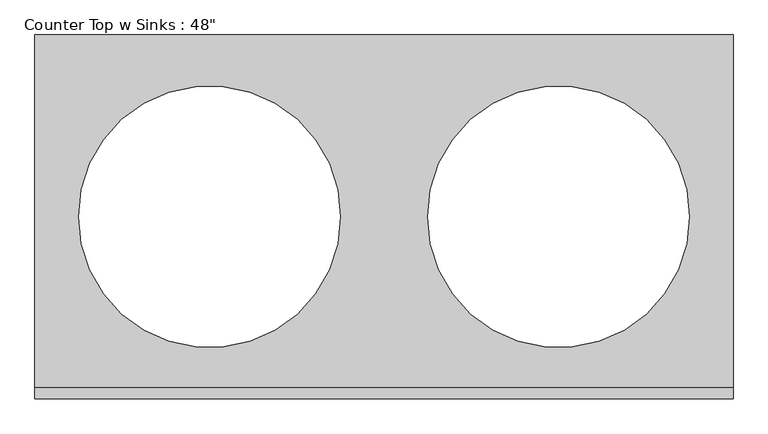
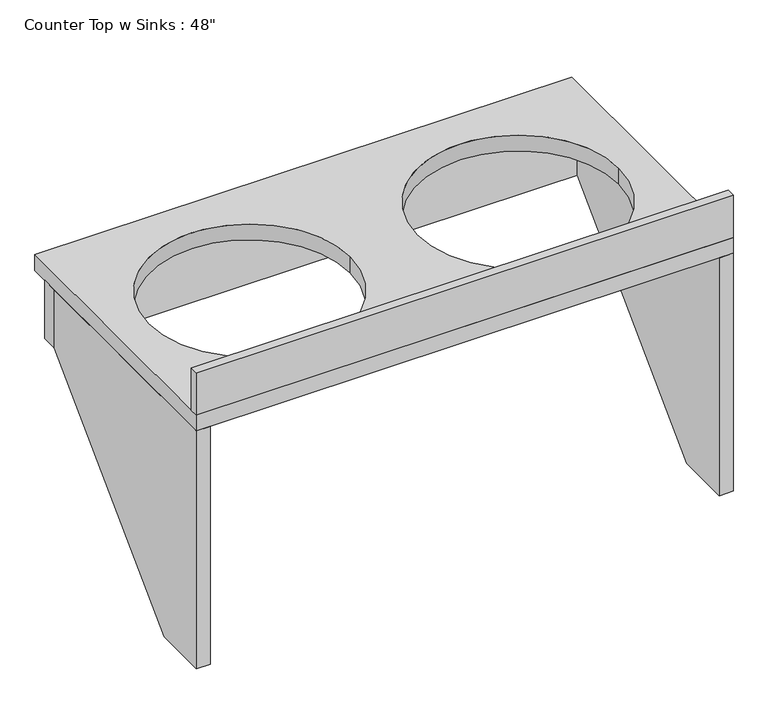
"""IFC4 building model written with IfcOpenShell, lengths in millimetres: furniture geometry."""

from ifc_helpers import new_model, si_unit, point, frame, frame_2d, origin, place, context, project, spatial, polyline, circle_curve, trimmed, segment, composite_curve, outline, extrude, source, transform, mapped, element, save


def furniture_7b47823e(model_context):
    return source(origin(), model_context, "Body", "SweptSolid", [
        extrude(outline(polyline([(63.5, 825.5), (622.3, 825.5), (622.3, 685.8), (190.5, 254.0), (63.5, 254.0), (63.5, 825.5)])), frame((-1116.1103038, 0.0, 0.0), z_axis=(1.0, 0.0, 0.0), x_axis=(0.0, 1.0, 0.0)), (0.0, 0.0, 1.0), 31.75),
        extrude(outline(polyline([(63.5, 825.5), (622.3, 825.5), (622.3, 685.8), (190.5, 254.0), (63.5, 254.0), (63.5, 825.5)])), frame((71.3396962, 0.0, 0.0), z_axis=(1.0, 0.0, 0.0), x_axis=(0.0, 1.0, 0.0)), (0.0, 0.0, 1.0), 31.75),
        extrude(outline(polyline([(-1116.1103038, 622.3), (-1116.1103038, 660.4), (103.0896962, 660.4), (103.0896962, 622.3), (-1116.1103038, 622.3)])), frame((0.0, 0.0, 685.8), z_axis=(0.0, 0.0, 1.0), x_axis=(1.0, 0.0, 0.0)), (0.0, 0.0, 1.0), 139.7),
        extrude(outline(polyline([(103.0896962, 63.5), (-1116.1103038, 63.5), (-1116.1103038, 82.55), (103.0896962, 82.55), (103.0896962, 63.5)])), frame((0.0, 0.0, 863.6), z_axis=(0.0, 0.0, 1.0), x_axis=(1.0, 0.0, 0.0)), (0.0, 0.0, 1.0), 101.6),
        extrude(outline(polyline([(103.0896962, 63.5), (-1116.1103038, 63.5), (-1116.1103038, 698.5), (103.0896962, 698.5), (103.0896962, 63.5)]), holes=[composite_curve([segment(trimmed(circle_curve(frame_2d((-811.3103038, 381.0)), 228.6), [point((-1039.9103038, 381.0))], [point((-582.7103038, 381.0))], True, "CARTESIAN"), True, "CONTINUOUS"), segment(trimmed(circle_curve(frame_2d((-811.3103038, 381.0)), 228.6), [point((-582.7103038, 381.0))], [point((-1039.9103038, 381.0))], True, "CARTESIAN"), True, "CONTINUOUS")], self_intersect=False), composite_curve([segment(trimmed(circle_curve(frame_2d((-201.7103038, 381.0)), 228.6), [point((-430.3103038, 381.0))], [point((26.8896962, 381.0))], True, "CARTESIAN"), True, "CONTINUOUS"), segment(trimmed(circle_curve(frame_2d((-201.7103038, 381.0)), 228.6), [point((26.8896962, 381.0))], [point((-430.3103038, 381.0))], True, "CARTESIAN"), True, "CONTINUOUS")], self_intersect=False)]), frame((0.0, 0.0, 825.5), z_axis=(0.0, 0.0, 1.0), x_axis=(1.0, 0.0, 0.0)), (0.0, 0.0, 1.0), 38.1),
    ])


if __name__ == "__main__":
    model = new_model("IFC4")
    model_context = context("Model", 3, world=origin())
    ifc_project = project(units=[si_unit("LENGTHUNIT", "METRE", prefix="MILLI")], contexts=[model_context])
    site = spatial("IfcSite", under=ifc_project)
    building = spatial("IfcBuilding", under=site)
    placement = place(None, origin())
    furniture_shape = furniture_7b47823e(model_context)
    element("IfcFurniture", 1, ObjectType="Counter Top w Sinks : 48\"", at=placement, inside=building, context=model_context, shape_type="MappedRepresentation", body=[
        mapped(furniture_shape, transform((0.0, 0.0, 0.0), x_axis=(1.0, 0.0, 0.0), y_axis=(0.0, 1.0, 0.0), z_axis=(0.0, 0.0, 1.0))),
    ])
    save(model, "model.ifc")
